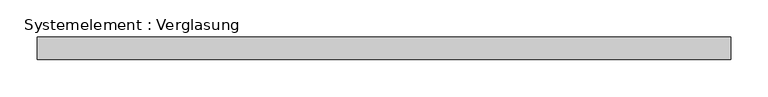
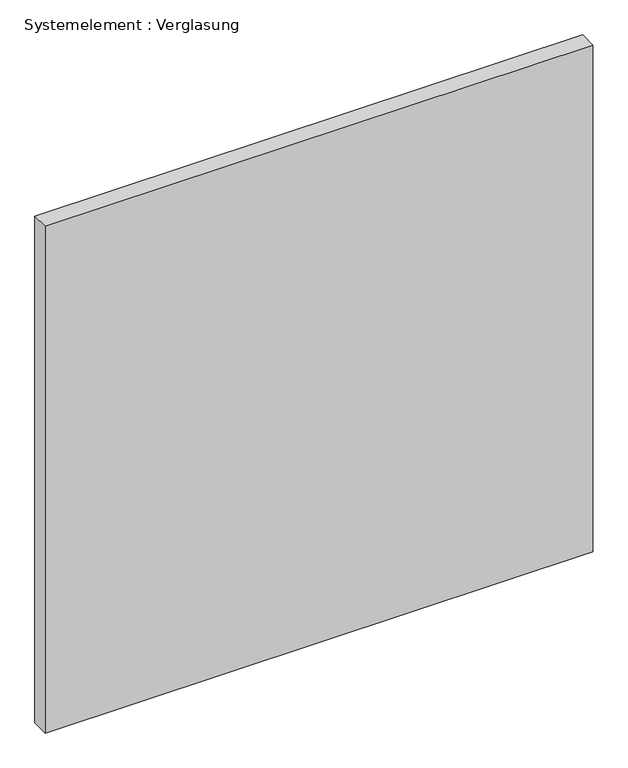
"""IFC4 building model written with IfcOpenShell, lengths in millimetres: plate geometry, Systemelement : Verglasung."""

import ifcopenshell
import ifcopenshell.guid

model = None  # the IFC model being written
_history = None  # IfcOwnerHistory: only IFC2X3 demands one
_inside = {}  # id of a spatial element -> (the spatial element, [elements in it])
_under = {}  # id of a project, library or spatial element -> (it, [spatial elements below it])
_declared = {}  # id of a project -> (the project, [libraries it declares])
_typed = {}  # id of a type object -> (the type object, [elements of that type])
_made_of = {}  # id of a material, layer set ... -> (it, [elements and type objects made of it])


def new_model(schema):
    """Start an empty IFC model of exactly this schema.

    Asked for "IFC4X3", IfcOpenShell would pick the latest addendum, in which some entities
    have other attributes; the version numbers below select the first issue.
    IFC2X3 requires an IfcOwnerHistory on every rooted entity: one is made here for all.
    """
    global model, _history
    if schema == "IFC4X3":
        model = ifcopenshell.file(schema_version=(4, 3, 0, 0))
    else:
        model = ifcopenshell.file(schema=schema)
    _inside.clear()
    _under.clear()
    _declared.clear()
    _typed.clear()
    _made_of.clear()
    _history = None
    if model.schema == "IFC2X3":
        org = make("IfcOrganization", Name="unknown")
        user = make(
            "IfcPersonAndOrganization",
            ThePerson=make("IfcPerson", FamilyName="unknown"),
            TheOrganization=org,
        )
        app = make(
            "IfcApplication",
            ApplicationDeveloper=org,
            Version="unknown",
            ApplicationFullName="unknown",
            ApplicationIdentifier="unknown",
        )
        _history = make(
            "IfcOwnerHistory",
            OwningUser=user,
            OwningApplication=app,
            ChangeAction="ADDED",
            CreationDate=0,
        )
    return model


def make(cls, **values):
    """One entity of the class cls with the attributes given. An attribute that is None is left unset."""
    return model.create_entity(
        cls, **{name: value for name, value in values.items() if value is not None}
    )


def rooted(cls, **values):
    """An entity with a GlobalId (a new one), such as an element, a storey or a relation."""
    return make(cls, GlobalId=ifcopenshell.guid.new(), OwnerHistory=_history, **values)


def si_unit(unit_type, name, prefix=None):
    """IfcSIUnit, for example si_unit("LENGTHUNIT", "METRE", prefix="MILLI")."""
    return make("IfcSIUnit", UnitType=unit_type, Prefix=prefix, Name=name)


def assignment(units):
    """IfcUnitAssignment: the units of a project."""
    return None if units is None else make("IfcUnitAssignment", Units=units)


def point(xyz):
    """IfcCartesianPoint."""
    return None if xyz is None else make("IfcCartesianPoint", Coordinates=xyz)


def direction(xyz):
    """IfcDirection."""
    return None if xyz is None else make("IfcDirection", DirectionRatios=xyz)


def frame(location, z_axis=None, x_axis=None):
    """IfcAxis2Placement3D, a coordinate frame: its origin and axes. An axis left out is left unset."""
    return make(
        "IfcAxis2Placement3D",
        Location=point(location),
        Axis=direction(z_axis),
        RefDirection=direction(x_axis),
    )


def origin():
    """The frame at (0, 0, 0) with its axes left unset."""
    return frame((0.0, 0.0, 0.0))


def origin_with_axes():
    """The frame at (0, 0, 0) with the z axis (0, 0, 1) and the x axis (1, 0, 0) written out."""
    return frame((0.0, 0.0, 0.0), z_axis=(0.0, 0.0, 1.0), x_axis=(1.0, 0.0, 0.0))


def place(relative_to, where):
    """IfcLocalPlacement: puts the frame where relative to a parent placement (None: the world)."""
    return make(
        "IfcLocalPlacement", PlacementRelTo=relative_to, RelativePlacement=where
    )


def context(
    kind, dimensions, precision=None, world=None, true_north=None, identifier=None
):
    """IfcGeometricRepresentationContext, for example the 3D "Model" context."""
    return make(
        "IfcGeometricRepresentationContext",
        ContextIdentifier=identifier,
        ContextType=kind,
        CoordinateSpaceDimension=dimensions,
        Precision=precision,
        WorldCoordinateSystem=world,
        TrueNorth=true_north,
    )


def project(units=None, contexts=None):
    """IfcProject with its units and contexts."""
    return rooted(
        "IfcProject",
        Name="project",
        RepresentationContexts=contexts,
        UnitsInContext=assignment(units),
    )


def spatial(cls, under=None, at=None, **own):
    """A site, building, storey or space (cls), placed at a placement, below another one or the project."""
    s = rooted(cls, ObjectPlacement=at, **own)
    if under is not None:
        _under.setdefault(under.id(), (under, []))[1].append(s)
    return s


def polyline(points):
    """IfcPolyline through the points."""
    return make("IfcPolyline", Points=[point(p) for p in points])


def outline(outer, holes=None, kind="AREA"):
    """IfcArbitraryClosedProfileDef: a profile drawn as a closed curve; with holes, ...WithVoids."""
    if holes is None:
        return make("IfcArbitraryClosedProfileDef", ProfileType=kind, OuterCurve=outer)
    return make(
        "IfcArbitraryProfileDefWithVoids",
        ProfileType=kind,
        OuterCurve=outer,
        InnerCurves=holes,
    )


def extrude(swept, where, along, depth):
    """IfcExtrudedAreaSolid: the profile swept, set in the frame where, extruded along a direction by depth."""
    return make(
        "IfcExtrudedAreaSolid",
        SweptArea=swept,
        Position=where,
        ExtrudedDirection=direction(along),
        Depth=depth,
    )


def shape(context_of_items, identifier, shape_type, items):
    """IfcShapeRepresentation: the items that make up one representation, for example the "Body"."""
    return make(
        "IfcShapeRepresentation",
        ContextOfItems=context_of_items,
        RepresentationIdentifier=identifier,
        RepresentationType=shape_type,
        Items=items,
    )


def source(mapping_origin, context_of_items, identifier, shape_type, items):
    """IfcRepresentationMap: a shape defined once, which mapped items show again and again."""
    return make(
        "IfcRepresentationMap",
        MappingOrigin=mapping_origin,
        MappedRepresentation=shape(context_of_items, identifier, shape_type, items),
    )


def transform(
    local_origin,
    x_axis=None,
    y_axis=None,
    z_axis=None,
    scale=None,
    scale2=None,
    scale3=None,
    uniform=True,
):
    """IfcCartesianTransformationOperator3D, or its non-uniform kind. x_axis, y_axis, z_axis: its Axis1, 2, 3."""
    if uniform:
        return make(
            "IfcCartesianTransformationOperator3D",
            Axis1=direction(x_axis),
            Axis2=direction(y_axis),
            LocalOrigin=point(local_origin),
            Scale=scale,
            Axis3=direction(z_axis),
        )
    return make(
        "IfcCartesianTransformationOperator3DnonUniform",
        Axis1=direction(x_axis),
        Axis2=direction(y_axis),
        LocalOrigin=point(local_origin),
        Scale=scale,
        Axis3=direction(z_axis),
        Scale2=scale2,
        Scale3=scale3,
    )


def mapped(mapping_source, mapping_target):
    """IfcMappedItem: shows the shape of a source again, moved by a transform."""
    return make(
        "IfcMappedItem", MappingSource=mapping_source, MappingTarget=mapping_target
    )


def made_of(thing, what):
    """Note that an element or type object is made of a material, layer set ...; save() writes the relation."""
    if what is not None:
        _made_of.setdefault(what.id(), (what, []))[1].append(thing)
    return thing


def element(
    cls,
    number,
    at=None,
    inside=None,
    cuts=None,
    type_object=None,
    material=None,
    context=None,
    identifier="Body",
    shape_type=None,
    held_by="IfcProductDefinitionShape",
    body=None,
    shapes=None,
    **own,
):
    """One element of the class cls, such as IfcWall. Its Tag is "e" and its number.

    at: its placement. inside: the storey or other place that contains it. cuts: it is an
    opening in that element (IfcRelVoidsElement). A single representation is given by context,
    identifier, shape_type and body (its items); several are given by shapes. held_by: the class
    of the entity that holds the representations. save() writes the other relations.
    """
    e = rooted(cls, Tag="e%d" % number, ObjectPlacement=at, **own)
    if body is not None:
        shapes = [shape(context, identifier, shape_type, body)]
    if shapes is not None:
        e.Representation = make(held_by, Representations=shapes)
    if inside is not None:
        _inside.setdefault(inside.id(), (inside, []))[1].append(e)
    if cuts is not None:
        rooted(
            "IfcRelVoidsElement", RelatingBuildingElement=cuts, RelatedOpeningElement=e
        )
    if type_object is not None:
        _typed.setdefault(type_object.id(), (type_object, []))[1].append(e)
    return made_of(e, material)


def aggregate(whole, parts):
    """IfcRelAggregates: a whole, such as a stair, and the parts it consists of."""
    return rooted("IfcRelAggregates", RelatingObject=whole, RelatedObjects=parts)


def save(model, path):
    """Write the relations noted so far, then the file.

    IfcRelAggregates (storeys below a building ...), IfcRelContainedInSpatialStructure (elements
    in a storey), IfcRelDefinesByType, IfcRelAssociatesMaterial and IfcRelDeclares: one each for
    every whole, place, type object, material and project.
    """
    for whole, parts in _under.values():
        aggregate(whole, parts)
    for where, things in _inside.values():
        rooted(
            "IfcRelContainedInSpatialStructure",
            RelatedElements=things,
            RelatingStructure=where,
        )
    for kind, things in _typed.values():
        rooted("IfcRelDefinesByType", RelatedObjects=things, RelatingType=kind)
    for what, things in _made_of.values():
        rooted("IfcRelAssociatesMaterial", RelatedObjects=things, RelatingMaterial=what)
    for by, libraries in _declared.values():
        rooted("IfcRelDeclares", RelatingContext=by, RelatedDefinitions=libraries)
    model.write(path)


def systemelement_verglasung_29a780f6(model_context):
    return source(origin(), model_context, "Body", "SweptSolid", [
        extrude(outline(polyline([(465.2083333, -15.0), (-465.2083333, -15.0), (-465.2083333, 15.0), (465.2083333, 15.0), (465.2083333, -15.0)])), origin_with_axes(), (0.0, 0.0, 1.0), 910.0),
    ])


if __name__ == "__main__":
    model = new_model("IFC4")
    model_context = context("Model", 3, world=origin())
    ifc_project = project(units=[si_unit("LENGTHUNIT", "METRE", prefix="MILLI")], contexts=[model_context])
    site = spatial("IfcSite", under=ifc_project)
    building = spatial("IfcBuilding", under=site)
    placement = place(None, origin())
    systemelement_verglasung_shape = systemelement_verglasung_29a780f6(model_context)
    element("IfcPlate", 1, ObjectType="Systemelement : Verglasung", at=placement, inside=building, context=model_context, shape_type="MappedRepresentation", body=[
        mapped(systemelement_verglasung_shape, transform((0.0, 0.0, 0.0), x_axis=(1.0, 0.0, 0.0), y_axis=(0.0, 1.0, 0.0), z_axis=(0.0, 0.0, 1.0))),
    ])
    save(model, "model.ifc")
